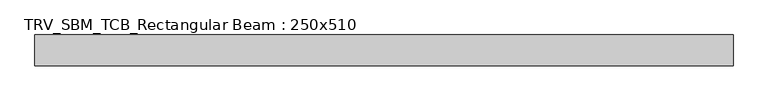
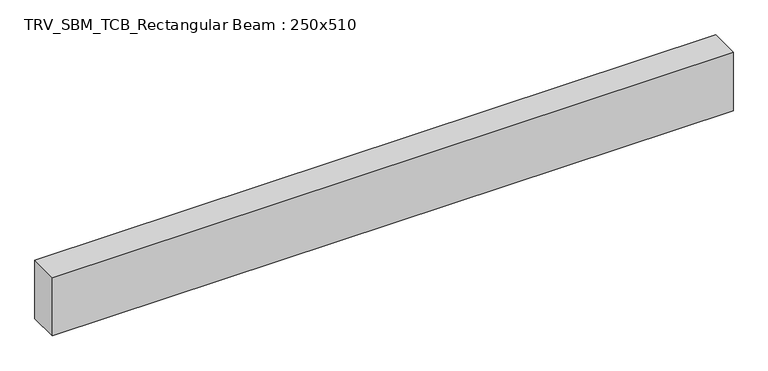
"""IFC4 building model written with IfcOpenShell, lengths in millimetres: beam geometry, TRV_SBM_TCB_Rectangular Beam : 250x510."""

from ifc_helpers import new_model, si_unit, frame, origin, place, context, project, spatial, polyline, outline, extrude, source, transform, mapped, element, save


def trv_sbm_tcb_rectangular_beam_250x510_e1651b5e(model_context):
    return source(origin(), model_context, "Body", "SweptSolid", [
        extrude(outline(polyline([(2817.2, 125.0), (2817.2, -125.0), (-2817.2, -125.0), (-2817.2, 125.0), (2817.2, 125.0)])), frame((0.0, 0.0, -255.0), z_axis=(0.0, 0.0, 1.0), x_axis=(1.0, 0.0, 0.0)), (0.0, 0.0, 1.0), 510.0),
    ])


if __name__ == "__main__":
    model = new_model("IFC4")
    model_context = context("Model", 3, world=origin())
    ifc_project = project(units=[si_unit("LENGTHUNIT", "METRE", prefix="MILLI")], contexts=[model_context])
    site = spatial("IfcSite", under=ifc_project)
    building = spatial("IfcBuilding", under=site)
    placement = place(None, origin())
    trv_sbm_tcb_rectangular_beam_250x510_shape = trv_sbm_tcb_rectangular_beam_250x510_e1651b5e(model_context)
    element("IfcBeam", 1, ObjectType="TRV_SBM_TCB_Rectangular Beam : 250x510", at=placement, inside=building, context=model_context, shape_type="MappedRepresentation", body=[
        mapped(trv_sbm_tcb_rectangular_beam_250x510_shape, transform((0.0, 0.0, 0.0), x_axis=(1.0, 0.0, 0.0), y_axis=(0.0, 1.0, 0.0), z_axis=(0.0, 0.0, 1.0))),
    ])
    save(model, "model.ifc")
